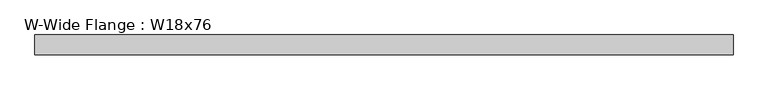
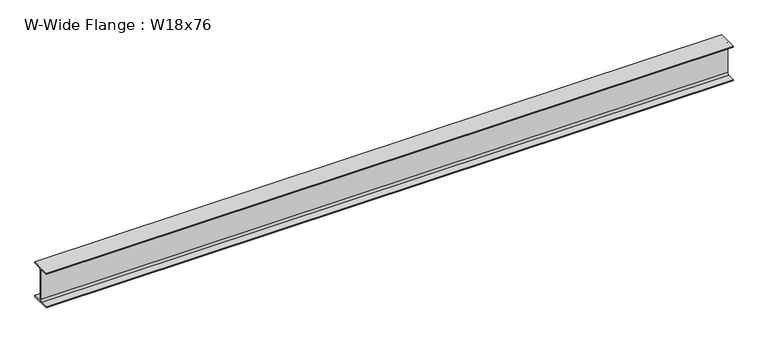
"""IFC4 building model written with IfcOpenShell, lengths in millimetres: beam geometry, W-Wide Flange : W18x76."""

import ifcopenshell
import ifcopenshell.guid

model = None  # the IFC model being written
_history = None  # IfcOwnerHistory: only IFC2X3 demands one
_inside = {}  # id of a spatial element -> (the spatial element, [elements in it])
_under = {}  # id of a project, library or spatial element -> (it, [spatial elements below it])
_declared = {}  # id of a project -> (the project, [libraries it declares])
_typed = {}  # id of a type object -> (the type object, [elements of that type])
_made_of = {}  # id of a material, layer set ... -> (it, [elements and type objects made of it])


def new_model(schema):
    """Start an empty IFC model of exactly this schema.

    Asked for "IFC4X3", IfcOpenShell would pick the latest addendum, in which some entities
    have other attributes; the version numbers below select the first issue.
    IFC2X3 requires an IfcOwnerHistory on every rooted entity: one is made here for all.
    """
    global model, _history
    if schema == "IFC4X3":
        model = ifcopenshell.file(schema_version=(4, 3, 0, 0))
    else:
        model = ifcopenshell.file(schema=schema)
    _inside.clear()
    _under.clear()
    _declared.clear()
    _typed.clear()
    _made_of.clear()
    _history = None
    if model.schema == "IFC2X3":
        org = make("IfcOrganization", Name="unknown")
        user = make(
            "IfcPersonAndOrganization",
            ThePerson=make("IfcPerson", FamilyName="unknown"),
            TheOrganization=org,
        )
        app = make(
            "IfcApplication",
            ApplicationDeveloper=org,
            Version="unknown",
            ApplicationFullName="unknown",
            ApplicationIdentifier="unknown",
        )
        _history = make(
            "IfcOwnerHistory",
            OwningUser=user,
            OwningApplication=app,
            ChangeAction="ADDED",
            CreationDate=0,
        )
    return model


def make(cls, **values):
    """One entity of the class cls with the attributes given. An attribute that is None is left unset."""
    return model.create_entity(
        cls, **{name: value for name, value in values.items() if value is not None}
    )


def rooted(cls, **values):
    """An entity with a GlobalId (a new one), such as an element, a storey or a relation."""
    return make(cls, GlobalId=ifcopenshell.guid.new(), OwnerHistory=_history, **values)


def si_unit(unit_type, name, prefix=None):
    """IfcSIUnit, for example si_unit("LENGTHUNIT", "METRE", prefix="MILLI")."""
    return make("IfcSIUnit", UnitType=unit_type, Prefix=prefix, Name=name)


def assignment(units):
    """IfcUnitAssignment: the units of a project."""
    return None if units is None else make("IfcUnitAssignment", Units=units)


def point(xyz):
    """IfcCartesianPoint."""
    return None if xyz is None else make("IfcCartesianPoint", Coordinates=xyz)


def direction(xyz):
    """IfcDirection."""
    return None if xyz is None else make("IfcDirection", DirectionRatios=xyz)


def frame(location, z_axis=None, x_axis=None):
    """IfcAxis2Placement3D, a coordinate frame: its origin and axes. An axis left out is left unset."""
    return make(
        "IfcAxis2Placement3D",
        Location=point(location),
        Axis=direction(z_axis),
        RefDirection=direction(x_axis),
    )


def frame_2d(location, x_axis=None):
    """IfcAxis2Placement2D, a coordinate frame in the plane: its origin and x axis."""
    return make(
        "IfcAxis2Placement2D", Location=point(location), RefDirection=direction(x_axis)
    )


def origin():
    """The frame at (0, 0, 0) with its axes left unset."""
    return frame((0.0, 0.0, 0.0))


def place(relative_to, where):
    """IfcLocalPlacement: puts the frame where relative to a parent placement (None: the world)."""
    return make(
        "IfcLocalPlacement", PlacementRelTo=relative_to, RelativePlacement=where
    )


def context(
    kind, dimensions, precision=None, world=None, true_north=None, identifier=None
):
    """IfcGeometricRepresentationContext, for example the 3D "Model" context."""
    return make(
        "IfcGeometricRepresentationContext",
        ContextIdentifier=identifier,
        ContextType=kind,
        CoordinateSpaceDimension=dimensions,
        Precision=precision,
        WorldCoordinateSystem=world,
        TrueNorth=true_north,
    )


def project(units=None, contexts=None):
    """IfcProject with its units and contexts."""
    return rooted(
        "IfcProject",
        Name="project",
        RepresentationContexts=contexts,
        UnitsInContext=assignment(units),
    )


def spatial(cls, under=None, at=None, **own):
    """A site, building, storey or space (cls), placed at a placement, below another one or the project."""
    s = rooted(cls, ObjectPlacement=at, **own)
    if under is not None:
        _under.setdefault(under.id(), (under, []))[1].append(s)
    return s


def polyline(points):
    """IfcPolyline through the points."""
    return make("IfcPolyline", Points=[point(p) for p in points])


def circle_curve(where, radius):
    """IfcCircle in the frame where."""
    return make("IfcCircle", Position=where, Radius=radius)


def trimmed(basis, trim1, trim2, sense, master):
    """IfcTrimmedCurve: the piece of a basis curve between two trims."""
    return make(
        "IfcTrimmedCurve",
        BasisCurve=basis,
        Trim1=trim1,
        Trim2=trim2,
        SenseAgreement=sense,
        MasterRepresentation=master,
    )


def segment(curve, same_sense, transition):
    """IfcCompositeCurveSegment."""
    return make(
        "IfcCompositeCurveSegment",
        Transition=transition,
        SameSense=same_sense,
        ParentCurve=curve,
    )


def composite_curve(segments, self_intersect=None):
    """IfcCompositeCurve: segments joined end to end."""
    return make("IfcCompositeCurve", Segments=segments, SelfIntersect=self_intersect)


def outline(outer, holes=None, kind="AREA"):
    """IfcArbitraryClosedProfileDef: a profile drawn as a closed curve; with holes, ...WithVoids."""
    if holes is None:
        return make("IfcArbitraryClosedProfileDef", ProfileType=kind, OuterCurve=outer)
    return make(
        "IfcArbitraryProfileDefWithVoids",
        ProfileType=kind,
        OuterCurve=outer,
        InnerCurves=holes,
    )


def extrude(swept, where, along, depth):
    """IfcExtrudedAreaSolid: the profile swept, set in the frame where, extruded along a direction by depth."""
    return make(
        "IfcExtrudedAreaSolid",
        SweptArea=swept,
        Position=where,
        ExtrudedDirection=direction(along),
        Depth=depth,
    )


def shape(context_of_items, identifier, shape_type, items):
    """IfcShapeRepresentation: the items that make up one representation, for example the "Body"."""
    return make(
        "IfcShapeRepresentation",
        ContextOfItems=context_of_items,
        RepresentationIdentifier=identifier,
        RepresentationType=shape_type,
        Items=items,
    )


def source(mapping_origin, context_of_items, identifier, shape_type, items):
    """IfcRepresentationMap: a shape defined once, which mapped items show again and again."""
    return make(
        "IfcRepresentationMap",
        MappingOrigin=mapping_origin,
        MappedRepresentation=shape(context_of_items, identifier, shape_type, items),
    )


def transform(
    local_origin,
    x_axis=None,
    y_axis=None,
    z_axis=None,
    scale=None,
    scale2=None,
    scale3=None,
    uniform=True,
):
    """IfcCartesianTransformationOperator3D, or its non-uniform kind. x_axis, y_axis, z_axis: its Axis1, 2, 3."""
    if uniform:
        return make(
            "IfcCartesianTransformationOperator3D",
            Axis1=direction(x_axis),
            Axis2=direction(y_axis),
            LocalOrigin=point(local_origin),
            Scale=scale,
            Axis3=direction(z_axis),
        )
    return make(
        "IfcCartesianTransformationOperator3DnonUniform",
        Axis1=direction(x_axis),
        Axis2=direction(y_axis),
        LocalOrigin=point(local_origin),
        Scale=scale,
        Axis3=direction(z_axis),
        Scale2=scale2,
        Scale3=scale3,
    )


def mapped(mapping_source, mapping_target):
    """IfcMappedItem: shows the shape of a source again, moved by a transform."""
    return make(
        "IfcMappedItem", MappingSource=mapping_source, MappingTarget=mapping_target
    )


def made_of(thing, what):
    """Note that an element or type object is made of a material, layer set ...; save() writes the relation."""
    if what is not None:
        _made_of.setdefault(what.id(), (what, []))[1].append(thing)
    return thing


def element(
    cls,
    number,
    at=None,
    inside=None,
    cuts=None,
    type_object=None,
    material=None,
    context=None,
    identifier="Body",
    shape_type=None,
    held_by="IfcProductDefinitionShape",
    body=None,
    shapes=None,
    **own,
):
    """One element of the class cls, such as IfcWall. Its Tag is "e" and its number.

    at: its placement. inside: the storey or other place that contains it. cuts: it is an
    opening in that element (IfcRelVoidsElement). A single representation is given by context,
    identifier, shape_type and body (its items); several are given by shapes. held_by: the class
    of the entity that holds the representations. save() writes the other relations.
    """
    e = rooted(cls, Tag="e%d" % number, ObjectPlacement=at, **own)
    if body is not None:
        shapes = [shape(context, identifier, shape_type, body)]
    if shapes is not None:
        e.Representation = make(held_by, Representations=shapes)
    if inside is not None:
        _inside.setdefault(inside.id(), (inside, []))[1].append(e)
    if cuts is not None:
        rooted(
            "IfcRelVoidsElement", RelatingBuildingElement=cuts, RelatedOpeningElement=e
        )
    if type_object is not None:
        _typed.setdefault(type_object.id(), (type_object, []))[1].append(e)
    return made_of(e, material)


def aggregate(whole, parts):
    """IfcRelAggregates: a whole, such as a stair, and the parts it consists of."""
    return rooted("IfcRelAggregates", RelatingObject=whole, RelatedObjects=parts)


def save(model, path):
    """Write the relations noted so far, then the file.

    IfcRelAggregates (storeys below a building ...), IfcRelContainedInSpatialStructure (elements
    in a storey), IfcRelDefinesByType, IfcRelAssociatesMaterial and IfcRelDeclares: one each for
    every whole, place, type object, material and project.
    """
    for whole, parts in _under.values():
        aggregate(whole, parts)
    for where, things in _inside.values():
        rooted(
            "IfcRelContainedInSpatialStructure",
            RelatedElements=things,
            RelatingStructure=where,
        )
    for kind, things in _typed.values():
        rooted("IfcRelDefinesByType", RelatedObjects=things, RelatingType=kind)
    for what, things in _made_of.values():
        rooted("IfcRelAssociatesMaterial", RelatedObjects=things, RelatingMaterial=what)
    for by, libraries in _declared.values():
        rooted("IfcRelDeclares", RelatingContext=by, RelatedDefinitions=libraries)
    model.write(path)


def w_wide_flange_w18x76_07b850c1(model_context):
    return source(origin(), model_context, "Body", "SweptSolid", [
        extrude(outline(composite_curve([segment(polyline([(82.4011719, -145.5539063), (82.4011719, -155.178125), (-82.4011719, -155.178125), (-82.4011719, -145.5539063), (-20.2902344, -145.5539063)]), True, "CONTINUOUS"), segment(trimmed(circle_curve(frame_2d((-20.2902344, -128.190625)), 17.3632812), [point((-20.2902344, -145.5539063))], [point((-2.9269531, -128.190625))], True, "CARTESIAN"), True, "CONTINUOUS"), segment(polyline([(-2.9269531, -128.190625), (-2.9269531, 128.190625)]), True, "CONTINUOUS"), segment(trimmed(circle_curve(frame_2d((-20.2902344, 128.190625)), 17.3632812), [point((-2.9269531, 128.190625))], [point((-20.2902344, 145.5539062))], True, "CARTESIAN"), True, "CONTINUOUS"), segment(polyline([(-20.2902344, 145.5539062), (-82.4011719, 145.5539062), (-82.4011719, 155.178125), (82.4011719, 155.178125), (82.4011719, 145.5539062), (20.2902344, 145.5539062)]), True, "CONTINUOUS"), segment(trimmed(circle_curve(frame_2d((20.2902344, 128.190625)), 17.3632812), [point((20.2902344, 145.5539062))], [point((2.9269531, 128.190625))], True, "CARTESIAN"), True, "CONTINUOUS"), segment(polyline([(2.9269531, 128.190625), (2.9269531, -128.190625)]), True, "CONTINUOUS"), segment(trimmed(circle_curve(frame_2d((20.2902344, -128.190625)), 17.3632812), [point((2.9269531, -128.190625))], [point((20.2902344, -145.5539063))], True, "CARTESIAN"), True, "CONTINUOUS"), segment(polyline([(20.2902344, -145.5539063), (82.4011719, -145.5539063)]), True, "CONTINUOUS")], self_intersect=False)), frame((-2911.7230469, 0.0, 0.0), z_axis=(1.0, 0.0, 0.0), x_axis=(0.0, 1.0, 0.0)), (0.0, 0.0, 1.0), 5823.4460938),
    ])


if __name__ == "__main__":
    model = new_model("IFC4")
    model_context = context("Model", 3, world=origin())
    ifc_project = project(units=[si_unit("LENGTHUNIT", "METRE", prefix="MILLI")], contexts=[model_context])
    site = spatial("IfcSite", under=ifc_project)
    building = spatial("IfcBuilding", under=site)
    placement = place(None, origin())
    w_wide_flange_w18x76_shape = w_wide_flange_w18x76_07b850c1(model_context)
    element("IfcBeam", 1, ObjectType="W-Wide Flange : W18x76", at=placement, inside=building, context=model_context, shape_type="MappedRepresentation", body=[
        mapped(w_wide_flange_w18x76_shape, transform((0.0, 0.0, 0.0), x_axis=(1.0, 0.0, 0.0), y_axis=(0.0, 1.0, 0.0), z_axis=(0.0, 0.0, 1.0))),
    ])
    save(model, "model.ifc")
